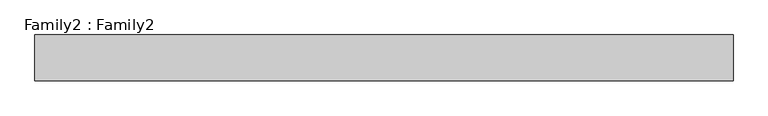
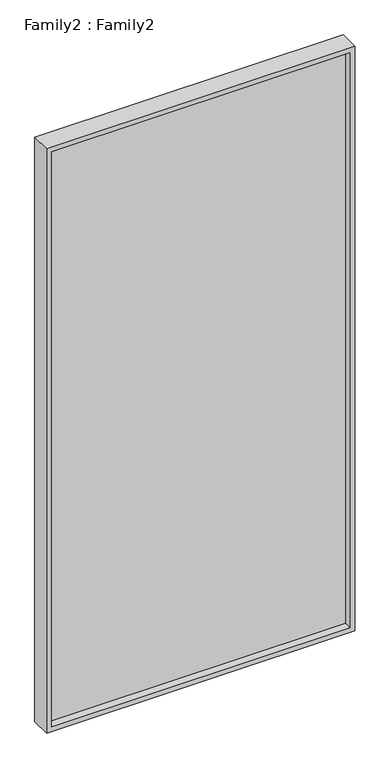
"""IFC4 building model written with IfcOpenShell, lengths in millimetres: plate geometry, Family2 : Family2."""

from ifc_helpers import new_model, si_unit, frame, origin, place, context, project, spatial, polyline, outline, extrude, source, transform, mapped, element, save


def family2_family2_bac46913(model_context):
    return source(origin(), model_context, "Body", "SweptSolid", [
        extrude(outline(polyline([(2450.0, -612.5), (0.0, -612.5), (0.0, 612.5), (2450.0, 612.5), (2450.0, -612.5)]), holes=[polyline([(20.0, -592.5), (2430.0, -592.5), (2430.0, 592.5), (20.0, 592.5), (20.0, -592.5)])]), frame((0.0, -40.0, 0.0), z_axis=(0.0, 1.0, 0.0), x_axis=(0.0, 0.0, 1.0)), (0.0, 0.0, 1.0), 80.0),
        extrude(outline(polyline([(592.5, -10.0), (-592.5, -10.0), (-592.5, 10.0), (592.5, 10.0), (592.5, -10.0)])), frame((0.0, 0.0, 20.0), z_axis=(0.0, 0.0, 1.0), x_axis=(1.0, 0.0, 0.0)), (0.0, 0.0, 1.0), 2410.0),
    ])


if __name__ == "__main__":
    model = new_model("IFC4")
    model_context = context("Model", 3, world=origin())
    ifc_project = project(units=[si_unit("LENGTHUNIT", "METRE", prefix="MILLI")], contexts=[model_context])
    site = spatial("IfcSite", under=ifc_project)
    building = spatial("IfcBuilding", under=site)
    placement = place(None, origin())
    family2_family2_shape = family2_family2_bac46913(model_context)
    element("IfcPlate", 1, ObjectType="Family2 : Family2", at=placement, inside=building, context=model_context, shape_type="MappedRepresentation", body=[
        mapped(family2_family2_shape, transform((0.0, 0.0, 0.0), x_axis=(1.0, 0.0, 0.0), y_axis=(0.0, 1.0, 0.0), z_axis=(0.0, 0.0, 1.0))),
    ])
    save(model, "model.ifc")
